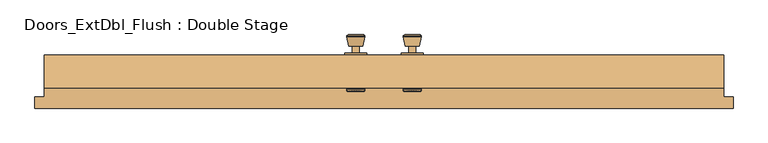
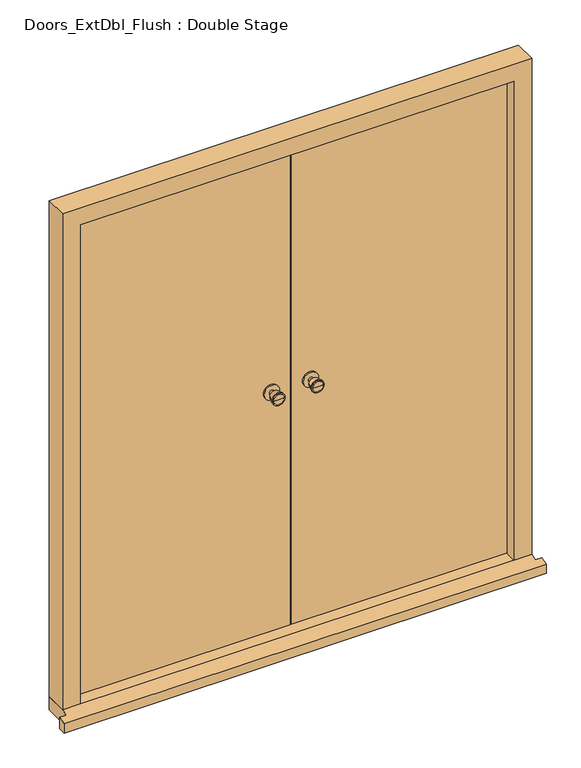
"""IFC4 building model written with IfcOpenShell, lengths in millimetres: door geometry, Doors_ExtDbl_Flush : Double Stage."""

from ifc_helpers import new_model, si_unit, point, frame, frame_2d, origin, place, context, project, spatial, polyline, circle_curve, trimmed, segment, composite_curve, outline, extrude, faceted_brep, source, transform, mapped, element, save
from ifc_brep_helpers import plane_surface, cylinder_surface, revolved_surface, advanced_brep


def doors_extdbl_flush_double_stage_39e0a492(model_context):
    return source(origin(), model_context, "Body", "SolidModel", [
        advanced_brep(
        [(-76.5, -46.8, 1050.0), (-86.5, -46.8, 1050.0), (-66.5, -46.8, 1050.0), (-96.9758676, 2.2, 1050.0), (-76.5, 2.2, 1050.0), (-56.0241324, 2.2, 1050.0), (-101.5, 0.3721319, 1050.0), (-51.5, 0.3721319, 1050.0), (-101.5, -3.0915463, 1050.0), (-51.5, -3.0915463, 1050.0), (-95.136236, -27.8, 1050.0), (-57.863764, -27.8, 1050.0), (-86.5, -27.8, 1050.0), (-66.5, -27.8, 1050.0)],
        [
            (0, 1),
            (1, 2, circle_curve(frame((-76.5, -46.8, 1050.0), z_axis=(0.0, -1.0, 0.0), x_axis=(1.0, 0.0, 0.0)), 10.0)),
            (2, 0),
            (2, 1, circle_curve(frame((-76.5, -46.8, 1050.0), z_axis=(0.0, -1.0, 0.0), x_axis=(1.0, 0.0, 0.0)), 10.0)),
            (3, 4),
            (4, 5),
            (5, 3, circle_curve(frame((-76.5, 2.2, 1050.0), z_axis=(0.0, 1.0, 0.0), x_axis=(1.0, 0.0, 0.0)), 20.4758676)),
            (3, 5, circle_curve(frame((-76.5, 2.2, 1050.0), z_axis=(0.0, 1.0, 0.0), x_axis=(1.0, 0.0, 0.0)), 20.4758676)),
            (6, 3),
            (5, 7),
            (7, 6, circle_curve(frame((-76.5, 0.3721319, 1050.0), z_axis=(0.0, 1.0, 0.0), x_axis=(1.0, 0.0, 0.0)), 25.0)),
            (6, 7, circle_curve(frame((-76.5, 0.3721319, 1050.0), z_axis=(0.0, 1.0, 0.0), x_axis=(1.0, 0.0, 0.0)), 25.0)),
            (8, 6),
            (7, 9),
            (9, 8, circle_curve(frame((-76.5, -3.0915463, 1050.0), z_axis=(0.0, 1.0, 0.0), x_axis=(1.0, 0.0, 0.0)), 25.0)),
            (8, 9, circle_curve(frame((-76.5, -3.0915463, 1050.0), z_axis=(0.0, 1.0, 0.0), x_axis=(1.0, 0.0, 0.0)), 25.0)),
            (10, 8),
            (9, 11),
            (11, 10, circle_curve(frame((-76.5, -27.8, 1050.0), z_axis=(0.0, 1.0, 0.0), x_axis=(1.0, 0.0, 0.0)), 18.636236)),
            (10, 11, circle_curve(frame((-76.5, -27.8, 1050.0), z_axis=(0.0, 1.0, 0.0), x_axis=(1.0, 0.0, 0.0)), 18.636236)),
            (12, 10),
            (11, 13),
            (13, 12, circle_curve(frame((-76.5, -27.8, 1050.0), z_axis=(0.0, 1.0, 0.0), x_axis=(1.0, 0.0, 0.0)), 10.0)),
            (12, 13, circle_curve(frame((-76.5, -27.8, 1050.0), z_axis=(0.0, 1.0, 0.0), x_axis=(1.0, 0.0, 0.0)), 10.0)),
            (1, 12),
            (13, 2),
        ],
        [
            plane_surface(frame((-76.5, -46.8, 1050.0), z_axis=(0.0, -1.0, 0.0), x_axis=(1.0, 0.0, 0.0))),
            plane_surface(frame((-76.5, 2.2, 1050.0), z_axis=(0.0, 1.0, 0.0), x_axis=(1.0, 0.0, 0.0))),
            revolved_surface(polyline([(-56.0241324, 2.2, 1050.0), (-51.5, 0.3721319, 1050.0)]), (-76.5, -46.8, 1050.0), (0.0, -1.0, 0.0)),
            cylinder_surface(frame((-76.5, -46.8, 1050.0), z_axis=(0.0, -1.0, 0.0), x_axis=(1.0, 0.0, 0.0)), 25.0),
            revolved_surface(polyline([(-51.5, -3.0915463, 1050.0), (-57.863764, -27.8, 1050.0)]), (-76.5, -46.8, 1050.0), (0.0, -1.0, 0.0)),
            plane_surface(frame((-76.5, -27.8, 1050.0), z_axis=(0.0, -1.0, 0.0), x_axis=(1.0, 0.0, 0.0))),
            cylinder_surface(frame((-76.5, -46.8, 1050.0), z_axis=(0.0, -1.0, 0.0), x_axis=(1.0, 0.0, 0.0)), 10.0),
        ],
        [
            (0, [[1, 2, 3]]),
            (0, [[-3, 4, -1]]),
            (1, [[5, 6, 7]]),
            (1, [[-6, -5, 8]]),
            (2, [[9, -7, 10, 11]]),
            (2, [[-10, -8, -9, 12]]),
            (3, [[13, -11, 14, 15]]),
            (3, [[-14, -12, -13, 16]]),
            (4, [[17, -15, 18, 19]]),
            (4, [[-18, -16, -17, 20]]),
            (5, [[21, -19, 22, 23]]),
            (5, [[-22, -20, -21, 24]]),
            (6, [[25, -23, 26, -2]]),
            (6, [[-26, -24, -25, -4]]),
        ],
    ),
        extrude(outline(composite_curve([segment(trimmed(circle_curve(frame_2d((1050.0, -76.5)), 30.0), [point((1050.0, -46.5))], [point((1050.0, -106.5))], False, "CARTESIAN"), True, "CONTINUOUS"), segment(trimmed(circle_curve(frame_2d((1050.0, -76.5)), 30.0), [point((1050.0, -106.5))], [point((1050.0, -46.5))], False, "CARTESIAN"), True, "CONTINUOUS")], self_intersect=False)), frame((0.0, -52.8, 0.0), z_axis=(0.0, 1.0, 0.0), x_axis=(0.0, 0.0, 1.0)), (0.0, 0.0, 1.0), 6.0),
        advanced_brep(
        [(-76.5, -102.8, 1050.0), (-66.5, -102.8, 1050.0), (-86.5, -102.8, 1050.0), (-96.9758676, -151.8, 1050.0), (-56.0241324, -151.8, 1050.0), (-76.5, -151.8, 1050.0), (-101.5, -149.9721319, 1050.0), (-51.5, -149.9721319, 1050.0), (-101.5, -146.5084537, 1050.0), (-51.5, -146.5084537, 1050.0), (-95.136236, -121.8, 1050.0), (-57.863764, -121.8, 1050.0), (-86.5, -121.8, 1050.0), (-66.5, -121.8, 1050.0)],
        [
            (0, 1),
            (1, 2, circle_curve(frame((-76.5, -102.8, 1050.0), z_axis=(0.0, 1.0, 0.0), x_axis=(1.0, 0.0, 0.0)), 10.0)),
            (2, 0),
            (2, 1, circle_curve(frame((-76.5, -102.8, 1050.0), z_axis=(0.0, 1.0, 0.0), x_axis=(1.0, 0.0, 0.0)), 10.0)),
            (3, 4, circle_curve(frame((-76.5, -151.8, 1050.0), z_axis=(0.0, -1.0, 0.0), x_axis=(1.0, 0.0, 0.0)), 20.4758676)),
            (4, 5),
            (5, 3),
            (4, 3, circle_curve(frame((-76.5, -151.8, 1050.0), z_axis=(0.0, -1.0, 0.0), x_axis=(1.0, 0.0, 0.0)), 20.4758676)),
            (6, 7, circle_curve(frame((-76.5, -149.9721319, 1050.0), z_axis=(0.0, -1.0, 0.0), x_axis=(1.0, 0.0, 0.0)), 25.0)),
            (7, 4),
            (3, 6),
            (7, 6, circle_curve(frame((-76.5, -149.9721319, 1050.0), z_axis=(0.0, -1.0, 0.0), x_axis=(1.0, 0.0, 0.0)), 25.0)),
            (8, 9, circle_curve(frame((-76.5, -146.5084537, 1050.0), z_axis=(0.0, -1.0, 0.0), x_axis=(1.0, 0.0, 0.0)), 25.0)),
            (9, 7),
            (6, 8),
            (9, 8, circle_curve(frame((-76.5, -146.5084537, 1050.0), z_axis=(0.0, -1.0, 0.0), x_axis=(1.0, 0.0, 0.0)), 25.0)),
            (10, 11, circle_curve(frame((-76.5, -121.8, 1050.0), z_axis=(0.0, -1.0, 0.0), x_axis=(1.0, 0.0, 0.0)), 18.636236)),
            (11, 9),
            (8, 10),
            (11, 10, circle_curve(frame((-76.5, -121.8, 1050.0), z_axis=(0.0, -1.0, 0.0), x_axis=(1.0, 0.0, 0.0)), 18.636236)),
            (12, 13, circle_curve(frame((-76.5, -121.8, 1050.0), z_axis=(0.0, -1.0, 0.0), x_axis=(1.0, 0.0, 0.0)), 10.0)),
            (13, 11),
            (10, 12),
            (13, 12, circle_curve(frame((-76.5, -121.8, 1050.0), z_axis=(0.0, -1.0, 0.0), x_axis=(1.0, 0.0, 0.0)), 10.0)),
            (1, 13),
            (12, 2),
        ],
        [
            plane_surface(frame((-76.5, -102.8, 1050.0), z_axis=(0.0, 1.0, 0.0), x_axis=(1.0, 0.0, 0.0))),
            plane_surface(frame((-76.5, -151.8, 1050.0), z_axis=(0.0, -1.0, 0.0), x_axis=(1.0, 0.0, 0.0))),
            revolved_surface(polyline([(-56.0241324, -151.8, 1050.0), (-51.5, -149.9721319, 1050.0)]), (-76.5, -102.8, 1050.0), (0.0, 1.0, 0.0)),
            cylinder_surface(frame((-76.5, -102.8, 1050.0), z_axis=(0.0, 1.0, 0.0), x_axis=(1.0, 0.0, 0.0)), 25.0),
            revolved_surface(polyline([(-51.5, -146.5084537, 1050.0), (-57.863764, -121.8, 1050.0)]), (-76.5, -102.8, 1050.0), (0.0, 1.0, 0.0)),
            plane_surface(frame((-76.5, -121.8, 1050.0), z_axis=(0.0, 1.0, 0.0), x_axis=(1.0, 0.0, 0.0))),
            cylinder_surface(frame((-76.5, -102.8, 1050.0), z_axis=(0.0, 1.0, 0.0), x_axis=(1.0, 0.0, 0.0)), 10.0),
        ],
        [
            (0, [[1, 2, 3]]),
            (0, [[-3, 4, -1]]),
            (1, [[5, 6, 7]]),
            (1, [[8, -7, -6]]),
            (2, [[9, 10, -5, 11]]),
            (2, [[12, -11, -8, -10]]),
            (3, [[13, 14, -9, 15]]),
            (3, [[16, -15, -12, -14]]),
            (4, [[17, 18, -13, 19]]),
            (4, [[20, -19, -16, -18]]),
            (5, [[21, 22, -17, 23]]),
            (5, [[24, -23, -20, -22]]),
            (6, [[-2, 25, -21, 26]]),
            (6, [[-4, -26, -24, -25]]),
        ],
    ),
        extrude(outline(composite_curve([segment(trimmed(circle_curve(frame_2d((1050.0, -76.5)), 30.0), [point((1050.0, -46.5))], [point((1050.0, -106.5))], False, "CARTESIAN"), True, "CONTINUOUS"), segment(trimmed(circle_curve(frame_2d((1050.0, -76.5)), 30.0), [point((1050.0, -106.5))], [point((1050.0, -46.5))], False, "CARTESIAN"), True, "CONTINUOUS")], self_intersect=False)), frame((0.0, -102.8, 0.0), z_axis=(0.0, 1.0, 0.0), x_axis=(0.0, 0.0, 1.0)), (0.0, 0.0, 1.0), 6.0),
        advanced_brep(
        [(76.5, -46.8, 1050.0), (66.5, -46.8, 1050.0), (86.5, -46.8, 1050.0), (96.9758676, 2.2, 1050.0), (56.0241324, 2.2, 1050.0), (76.5, 2.2, 1050.0), (101.5, 0.3721319, 1050.0), (51.5, 0.3721319, 1050.0), (101.5, -3.0915463, 1050.0), (51.5, -3.0915463, 1050.0), (95.136236, -27.8, 1050.0), (57.863764, -27.8, 1050.0), (86.5, -27.8, 1050.0), (66.5, -27.8, 1050.0)],
        [
            (0, 1),
            (1, 2, circle_curve(frame((76.5, -46.8, 1050.0), z_axis=(0.0, -1.0, 0.0), x_axis=(-1.0, 0.0, 0.0)), 10.0)),
            (2, 0),
            (2, 1, circle_curve(frame((76.5, -46.8, 1050.0), z_axis=(0.0, -1.0, 0.0), x_axis=(-1.0, 0.0, 0.0)), 10.0)),
            (3, 4, circle_curve(frame((76.5, 2.2, 1050.0), z_axis=(0.0, 1.0, 0.0), x_axis=(-1.0, 0.0, 0.0)), 20.4758676)),
            (4, 5),
            (5, 3),
            (4, 3, circle_curve(frame((76.5, 2.2, 1050.0), z_axis=(0.0, 1.0, 0.0), x_axis=(-1.0, 0.0, 0.0)), 20.4758676)),
            (6, 7, circle_curve(frame((76.5, 0.3721319, 1050.0), z_axis=(0.0, 1.0, 0.0), x_axis=(-1.0, 0.0, 0.0)), 25.0)),
            (7, 4),
            (3, 6),
            (7, 6, circle_curve(frame((76.5, 0.3721319, 1050.0), z_axis=(0.0, 1.0, 0.0), x_axis=(-1.0, 0.0, 0.0)), 25.0)),
            (8, 9, circle_curve(frame((76.5, -3.0915463, 1050.0), z_axis=(0.0, 1.0, 0.0), x_axis=(-1.0, 0.0, 0.0)), 25.0)),
            (9, 7),
            (6, 8),
            (9, 8, circle_curve(frame((76.5, -3.0915463, 1050.0), z_axis=(0.0, 1.0, 0.0), x_axis=(-1.0, 0.0, 0.0)), 25.0)),
            (10, 11, circle_curve(frame((76.5, -27.8, 1050.0), z_axis=(0.0, 1.0, 0.0), x_axis=(-1.0, 0.0, 0.0)), 18.636236)),
            (11, 9),
            (8, 10),
            (11, 10, circle_curve(frame((76.5, -27.8, 1050.0), z_axis=(0.0, 1.0, 0.0), x_axis=(-1.0, 0.0, 0.0)), 18.636236)),
            (12, 13, circle_curve(frame((76.5, -27.8, 1050.0), z_axis=(0.0, 1.0, 0.0), x_axis=(-1.0, 0.0, 0.0)), 10.0)),
            (13, 11),
            (10, 12),
            (13, 12, circle_curve(frame((76.5, -27.8, 1050.0), z_axis=(0.0, 1.0, 0.0), x_axis=(-1.0, 0.0, 0.0)), 10.0)),
            (1, 13),
            (12, 2),
        ],
        [
            plane_surface(frame((76.5, -46.8, 1050.0), z_axis=(0.0, -1.0, 0.0), x_axis=(-1.0, 0.0, 0.0))),
            plane_surface(frame((76.5, 2.2, 1050.0), z_axis=(0.0, 1.0, 0.0), x_axis=(-1.0, 0.0, 0.0))),
            revolved_surface(polyline([(56.0241324, 2.2, 1050.0), (51.5, 0.3721319, 1050.0)]), (76.5, -46.8, 1050.0), (0.0, -1.0, 0.0)),
            cylinder_surface(frame((76.5, -46.8, 1050.0), z_axis=(0.0, -1.0, 0.0), x_axis=(-1.0, 0.0, 0.0)), 25.0),
            revolved_surface(polyline([(51.5, -3.0915463, 1050.0), (57.863764, -27.8, 1050.0)]), (76.5, -46.8, 1050.0), (0.0, -1.0, 0.0)),
            plane_surface(frame((76.5, -27.8, 1050.0), z_axis=(0.0, -1.0, 0.0), x_axis=(-1.0, 0.0, 0.0))),
            cylinder_surface(frame((76.5, -46.8, 1050.0), z_axis=(0.0, -1.0, 0.0), x_axis=(-1.0, 0.0, 0.0)), 10.0),
        ],
        [
            (0, [[1, 2, 3]]),
            (0, [[-3, 4, -1]]),
            (1, [[5, 6, 7]]),
            (1, [[8, -7, -6]]),
            (2, [[9, 10, -5, 11]]),
            (2, [[12, -11, -8, -10]]),
            (3, [[13, 14, -9, 15]]),
            (3, [[16, -15, -12, -14]]),
            (4, [[17, 18, -13, 19]]),
            (4, [[20, -19, -16, -18]]),
            (5, [[21, 22, -17, 23]]),
            (5, [[24, -23, -20, -22]]),
            (6, [[-2, 25, -21, 26]]),
            (6, [[-4, -26, -24, -25]]),
        ],
    ),
        extrude(outline(composite_curve([segment(trimmed(circle_curve(frame_2d((1050.0, 76.5)), 30.0), [point((1050.0, 46.5))], [point((1050.0, 106.5))], False, "CARTESIAN"), True, "CONTINUOUS"), segment(trimmed(circle_curve(frame_2d((1050.0, 76.5)), 30.0), [point((1050.0, 106.5))], [point((1050.0, 46.5))], False, "CARTESIAN"), True, "CONTINUOUS")], self_intersect=False)), frame((0.0, -52.8, 0.0), z_axis=(0.0, 1.0, 0.0), x_axis=(0.0, 0.0, 1.0)), (0.0, 0.0, 1.0), 6.0),
        advanced_brep(
        [(76.5, -102.8, 1050.0), (86.5, -102.8, 1050.0), (66.5, -102.8, 1050.0), (96.9758676, -151.8, 1050.0), (76.5, -151.8, 1050.0), (56.0241324, -151.8, 1050.0), (101.5, -149.9721319, 1050.0), (51.5, -149.9721319, 1050.0), (101.5, -146.5084537, 1050.0), (51.5, -146.5084537, 1050.0), (95.136236, -121.8, 1050.0), (57.863764, -121.8, 1050.0), (86.5, -121.8, 1050.0), (66.5, -121.8, 1050.0)],
        [
            (0, 1),
            (1, 2, circle_curve(frame((76.5, -102.8, 1050.0), z_axis=(0.0, 1.0, 0.0), x_axis=(-1.0, 0.0, 0.0)), 10.0)),
            (2, 0),
            (2, 1, circle_curve(frame((76.5, -102.8, 1050.0), z_axis=(0.0, 1.0, 0.0), x_axis=(-1.0, 0.0, 0.0)), 10.0)),
            (3, 4),
            (4, 5),
            (5, 3, circle_curve(frame((76.5, -151.8, 1050.0), z_axis=(0.0, -1.0, 0.0), x_axis=(-1.0, 0.0, 0.0)), 20.4758676)),
            (3, 5, circle_curve(frame((76.5, -151.8, 1050.0), z_axis=(0.0, -1.0, 0.0), x_axis=(-1.0, 0.0, 0.0)), 20.4758676)),
            (6, 3),
            (5, 7),
            (7, 6, circle_curve(frame((76.5, -149.9721319, 1050.0), z_axis=(0.0, -1.0, 0.0), x_axis=(-1.0, 0.0, 0.0)), 25.0)),
            (6, 7, circle_curve(frame((76.5, -149.9721319, 1050.0), z_axis=(0.0, -1.0, 0.0), x_axis=(-1.0, 0.0, 0.0)), 25.0)),
            (8, 6),
            (7, 9),
            (9, 8, circle_curve(frame((76.5, -146.5084537, 1050.0), z_axis=(0.0, -1.0, 0.0), x_axis=(-1.0, 0.0, 0.0)), 25.0)),
            (8, 9, circle_curve(frame((76.5, -146.5084537, 1050.0), z_axis=(0.0, -1.0, 0.0), x_axis=(-1.0, 0.0, 0.0)), 25.0)),
            (10, 8),
            (9, 11),
            (11, 10, circle_curve(frame((76.5, -121.8, 1050.0), z_axis=(0.0, -1.0, 0.0), x_axis=(-1.0, 0.0, 0.0)), 18.636236)),
            (10, 11, circle_curve(frame((76.5, -121.8, 1050.0), z_axis=(0.0, -1.0, 0.0), x_axis=(-1.0, 0.0, 0.0)), 18.636236)),
            (12, 10),
            (11, 13),
            (13, 12, circle_curve(frame((76.5, -121.8, 1050.0), z_axis=(0.0, -1.0, 0.0), x_axis=(-1.0, 0.0, 0.0)), 10.0)),
            (12, 13, circle_curve(frame((76.5, -121.8, 1050.0), z_axis=(0.0, -1.0, 0.0), x_axis=(-1.0, 0.0, 0.0)), 10.0)),
            (1, 12),
            (13, 2),
        ],
        [
            plane_surface(frame((76.5, -102.8, 1050.0), z_axis=(0.0, 1.0, 0.0), x_axis=(-1.0, 0.0, 0.0))),
            plane_surface(frame((76.5, -151.8, 1050.0), z_axis=(0.0, -1.0, 0.0), x_axis=(-1.0, 0.0, 0.0))),
            revolved_surface(polyline([(56.0241324, -151.8, 1050.0), (51.5, -149.9721319, 1050.0)]), (76.5, -102.8, 1050.0), (0.0, 1.0, 0.0)),
            cylinder_surface(frame((76.5, -102.8, 1050.0), z_axis=(0.0, 1.0, 0.0), x_axis=(-1.0, 0.0, 0.0)), 25.0),
            revolved_surface(polyline([(51.5, -146.5084537, 1050.0), (57.863764, -121.8, 1050.0)]), (76.5, -102.8, 1050.0), (0.0, 1.0, 0.0)),
            plane_surface(frame((76.5, -121.8, 1050.0), z_axis=(0.0, 1.0, 0.0), x_axis=(-1.0, 0.0, 0.0))),
            cylinder_surface(frame((76.5, -102.8, 1050.0), z_axis=(0.0, 1.0, 0.0), x_axis=(-1.0, 0.0, 0.0)), 10.0),
        ],
        [
            (0, [[1, 2, 3]]),
            (0, [[-3, 4, -1]]),
            (1, [[5, 6, 7]]),
            (1, [[-6, -5, 8]]),
            (2, [[9, -7, 10, 11]]),
            (2, [[-10, -8, -9, 12]]),
            (3, [[13, -11, 14, 15]]),
            (3, [[-14, -12, -13, 16]]),
            (4, [[17, -15, 18, 19]]),
            (4, [[-18, -16, -17, 20]]),
            (5, [[21, -19, 22, 23]]),
            (5, [[-22, -20, -21, 24]]),
            (6, [[25, -23, 26, -2]]),
            (6, [[-26, -24, -25, -4]]),
        ],
    ),
        extrude(outline(composite_curve([segment(trimmed(circle_curve(frame_2d((1050.0, 76.5)), 30.0), [point((1050.0, 46.5))], [point((1050.0, 106.5))], False, "CARTESIAN"), True, "CONTINUOUS"), segment(trimmed(circle_curve(frame_2d((1050.0, 76.5)), 30.0), [point((1050.0, 106.5))], [point((1050.0, 46.5))], False, "CARTESIAN"), True, "CONTINUOUS")], self_intersect=False)), frame((0.0, -102.8, 0.0), z_axis=(0.0, 1.0, 0.0), x_axis=(0.0, 0.0, 1.0)), (0.0, 0.0, 1.0), 6.0),
        faceted_brep([(849.5, -141.8, 54.5), (849.5, -99.8, 54.5), (871.5, -99.8, 54.5), (871.5, -52.8, 54.5), (920.0, -52.8, 54.5), (920.0, -141.8, 54.5), (920.0, -141.8, 2110.0), (-920.0, -141.8, 2110.0), (-920.0, -141.8, 54.5), (-849.5, -141.8, 54.5), (-849.5, -141.8, 2039.5), (849.5, -141.8, 2039.5), (920.0, -52.8, 2110.0), (871.5, -52.8, 2061.5), (-871.5, -52.8, 2061.5), (-871.5, -52.8, 54.5), (-920.0, -52.8, 54.5), (-920.0, -52.8, 2110.0), (871.5, -99.8, 2061.5), (849.5, -99.8, 2039.5), (-849.5, -99.8, 2039.5), (-849.5, -99.8, 54.5), (-871.5, -99.8, 54.5), (-871.5, -99.8, 2061.5)], [[[0, 1, 2, 3, 4, 5]], [[5, 6, 7, 8, 9, 10, 11, 0]], [[4, 12, 6, 5]], [[3, 13, 14, 15, 16, 17, 12, 4]], [[2, 18, 13, 3]], [[1, 19, 20, 21, 22, 23, 18, 2]], [[0, 11, 19, 1]], [[10, 9, 21, 20]], [[9, 8, 16, 15, 22, 21]], [[17, 16, 8, 7]], [[23, 22, 15, 14]], [[12, 17, 7, 6]], [[18, 23, 14, 13]], [[11, 10, 20, 19]]]),
        faceted_brep([(945.0, -196.8, 0.0), (945.0, -166.8, 0.0), (945.0, -166.8, 47.2703282), (945.0, -196.8, 38.5947221), (-945.0, -196.8, 38.5947221), (-945.0, -166.8, 47.2703282), (-945.0, -166.8, 0.0), (-945.0, -196.8, 0.0), (-920.0, -166.8, 0.0), (-920.0, -52.8, 0.0), (920.0, -52.8, 0.0), (920.0, -166.8, 0.0), (920.0, -166.8, 47.2703282), (920.0, -141.8, 54.5), (-920.0, -141.8, 54.5), (-920.0, -166.8, 47.2703282), (920.0, -52.8, 54.5), (-920.0, -52.8, 54.5)], [[[0, 1, 2, 3]], [[4, 5, 6, 7]], [[7, 6, 8, 9, 10, 11, 1, 0]], [[3, 4, 7, 0]], [[3, 2, 12, 13, 14, 15, 5, 4]], [[14, 13, 16, 17]], [[17, 16, 10, 9]], [[15, 14, 17, 9, 8]], [[8, 6, 5, 15]], [[11, 10, 16, 13, 12]], [[12, 2, 1, 11]]]),
        extrude(outline(polyline([(868.5, -52.8), (868.5, -96.8), (1.5, -96.8), (1.5, -52.8), (868.5, -52.8)])), frame((0.0, 0.0, 58.5), z_axis=(0.0, 0.0, 1.0), x_axis=(1.0, 0.0, 0.0)), (0.0, 0.0, 1.0), 2000.0),
        extrude(outline(polyline([(-1.5, -52.8), (-1.5, -96.8), (-868.5, -96.8), (-868.5, -52.8), (-1.5, -52.8)])), frame((0.0, 0.0, 58.5), z_axis=(0.0, 0.0, 1.0), x_axis=(1.0, 0.0, 0.0)), (0.0, 0.0, 1.0), 2000.0),
    ])


if __name__ == "__main__":
    model = new_model("IFC4")
    model_context = context("Model", 3, world=origin())
    ifc_project = project(units=[si_unit("LENGTHUNIT", "METRE", prefix="MILLI")], contexts=[model_context])
    site = spatial("IfcSite", under=ifc_project)
    building = spatial("IfcBuilding", under=site)
    placement = place(None, origin())
    doors_extdbl_flush_double_stage_shape = doors_extdbl_flush_double_stage_39e0a492(model_context)
    element("IfcDoor", 1, ObjectType="Doors_ExtDbl_Flush : Double Stage", at=placement, inside=building, context=model_context, shape_type="MappedRepresentation", body=[
        mapped(doors_extdbl_flush_double_stage_shape, transform((0.0, 0.0, 0.0), x_axis=(1.0, 0.0, 0.0), y_axis=(0.0, 1.0, 0.0), z_axis=(0.0, 0.0, 1.0))),
    ])
    save(model, "model.ifc")
